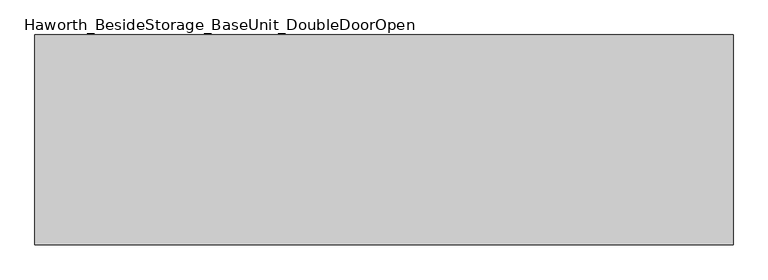
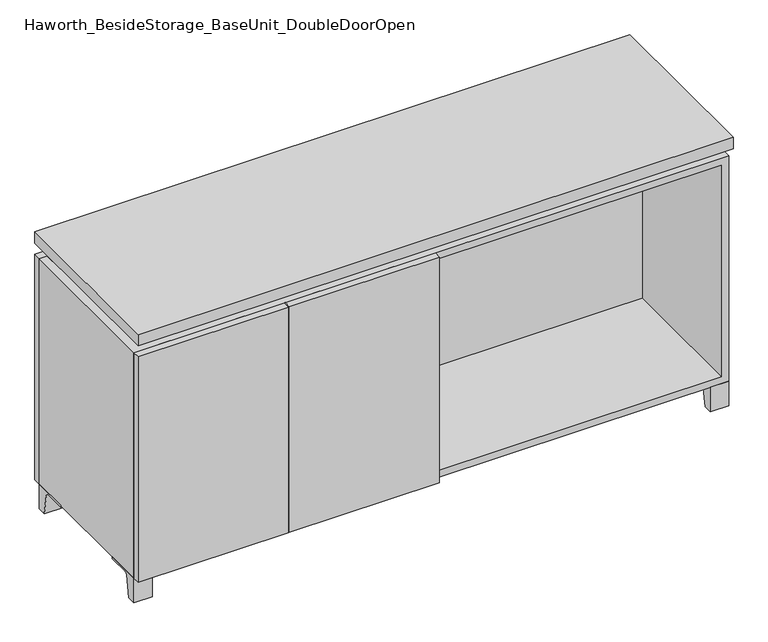
"""IFC4 building model written with IfcOpenShell, lengths in millimetres: furniture geometry, Haworth_BesideStorage_BaseUnit_DoubleDoorOpen."""

from ifc_helpers import new_model, si_unit, point, frame, frame_2d, origin, place, context, project, spatial, polyline, circle_curve, trimmed, segment, composite_curve, outline, extrude, faceted_brep, source, transform, mapped, element, save


def haworth_besidestorage_baseunit_doubledooropen_dae58a1f(model_context):
    return source(origin(), model_context, "Body", "SolidModel", [
        extrude(outline(composite_curve([segment(polyline([(44.9791531, 0.0), (22.225, 0.0), (22.225, 66.675), (117.475, 66.675), (117.475, 61.8963321), (60.6744655, 61.8963321)]), True, "CONTINUOUS"), segment(trimmed(circle_curve(frame_2d((60.6744655, 55.5463321)), 6.35), [point((60.6744655, 61.8963321))], [point((54.4108641, 56.5902656))], True, "CARTESIAN"), True, "CONTINUOUS"), segment(polyline([(54.4108641, 56.5902656), (44.9791531, 0.0)]), True, "CONTINUOUS")], self_intersect=False)), frame((-23.7986094, 0.0, 0.0), z_axis=(1.0, 0.0, 0.0), x_axis=(0.0, 1.0, 0.0)), (0.0, 0.0, 1.0), 47.625),
        extrude(outline(composite_curve([segment(polyline([(-123.2958469, 0.0), (-146.05, 0.0), (-146.05, 66.675), (-50.8, 66.675), (-50.8, 61.8963321), (-107.6005345, 61.8963321)]), True, "CONTINUOUS"), segment(trimmed(circle_curve(frame_2d((-107.6005345, 55.5463321)), 6.35), [point((-107.6005345, 61.8963321))], [point((-113.8641359, 56.5902656))], True, "CARTESIAN"), True, "CONTINUOUS"), segment(polyline([(-113.8641359, 56.5902656), (-123.2958469, 0.0)]), True, "CONTINUOUS")], self_intersect=False)), frame((712.8013906, 0.0, 0.0), z_axis=(1.0, 0.0, 0.0), x_axis=(0.0, 1.0, 0.0)), (0.0, 0.0, 1.0), 47.625),
        extrude(outline(composite_curve([segment(polyline([(250.2958469, 0.0), (240.8641359, 56.5902656)]), True, "CONTINUOUS"), segment(trimmed(circle_curve(frame_2d((234.6005345, 55.5463321)), 6.35), [point((240.8641359, 56.5902656))], [point((234.6005345, 61.8963321))], True, "CARTESIAN"), True, "CONTINUOUS"), segment(polyline([(234.6005345, 61.8963321), (177.8, 61.8963321), (177.8, 66.675), (273.05, 66.675), (273.05, 0.0), (250.2958469, 0.0)]), True, "CONTINUOUS")], self_intersect=False)), frame((712.8013906, 0.0, 0.0), z_axis=(1.0, 0.0, 0.0), x_axis=(0.0, 1.0, 0.0)), (0.0, 0.0, 1.0), 47.625),
        extrude(outline(composite_curve([segment(polyline([(-123.2958469, 0.0), (-146.05, 0.0), (-146.05, 66.675), (-50.8, 66.675), (-50.8, 61.8963321), (-107.6005345, 61.8963321)]), True, "CONTINUOUS"), segment(trimmed(circle_curve(frame_2d((-107.6005345, 55.5463321)), 6.35), [point((-107.6005345, 61.8963321))], [point((-113.8641359, 56.5902656))], True, "CARTESIAN"), True, "CONTINUOUS"), segment(polyline([(-113.8641359, 56.5902656), (-123.2958469, 0.0)]), True, "CONTINUOUS")], self_intersect=False)), frame((-760.3986094, 0.0, 0.0), z_axis=(1.0, 0.0, 0.0), x_axis=(0.0, 1.0, 0.0)), (0.0, 0.0, 1.0), 47.625),
        extrude(outline(composite_curve([segment(polyline([(250.2958469, 0.0), (240.8641359, 56.5902656)]), True, "CONTINUOUS"), segment(trimmed(circle_curve(frame_2d((234.6005345, 55.5463321)), 6.35), [point((240.8641359, 56.5902656))], [point((234.6005345, 61.8963321))], True, "CARTESIAN"), True, "CONTINUOUS"), segment(polyline([(234.6005345, 61.8963321), (177.8, 61.8963321), (177.8, 66.675), (273.05, 66.675), (273.05, 0.0), (250.2958469, 0.0)]), True, "CONTINUOUS")], self_intersect=False)), frame((-760.3986094, 0.0, 0.0), z_axis=(1.0, 0.0, 0.0), x_axis=(0.0, 1.0, 0.0)), (0.0, 0.0, 1.0), 47.625),
        faceted_brep([(-760.3986094, -146.05, 66.675), (760.4125, -146.05, 66.675), (760.4125, -146.05, 676.275), (-760.3986094, -146.05, 676.275), (-741.3486094, -146.05, 85.725), (-741.3486094, -146.05, 657.225), (741.3694453, -146.05, 657.225), (741.3486094, -146.05, 85.725), (-760.3986094, 273.05, 66.675), (-760.3986094, 273.05, 676.275), (-741.3486094, 273.05, 676.275), (-741.3486094, 273.05, 85.725), (741.3486094, 273.05, 85.725), (741.3486094, 273.05, 676.275), (760.4125, 273.05, 676.275), (760.4125, 273.05, 66.675), (741.3486094, 247.65, 676.275), (-741.3416641, 247.65, 676.275), (-741.3486094, 247.65, 657.225), (741.3486094, 247.65, 657.225)], [[[0, 1, 2, 3], [4, 5, 6, 7]], [[8, 9, 10, 11, 12, 13, 14, 15]], [[1, 0, 8, 15]], [[2, 1, 15, 14]], [[3, 2, 14, 13, 16, 17, 10, 9]], [[0, 3, 9, 8]], [[11, 10, 17, 18, 5, 4]], [[13, 12, 7, 6, 19, 16]], [[4, 7, 12, 11]], [[6, 5, 18, 19]], [[17, 16, 19, 18]]]),
        extrude(outline(polyline([(760.4263906, -165.1), (-760.3986094, -165.1), (-760.3986094, 292.1), (760.4263906, 292.1), (760.4263906, -165.1)])), frame((0.0, 0.0, 706.4375), z_axis=(0.0, 0.0, 1.0), x_axis=(1.0, 0.0, 0.0)), (0.0, 0.0, 1.0), 30.1625),
        faceted_brep([(7.9513906, -69.85, 706.4375), (7.9513906, -69.85, 676.275), (7.9513906, 53.975, 676.275), (7.9513906, 53.975, 706.4375), (7.9513906, 196.85, 676.275), (7.9513906, 196.85, 706.4375), (7.9513906, 73.025, 706.4375), (7.9513906, 73.025, 676.275), (-7.9236094, 196.85, 706.4375), (-7.9236094, 196.85, 676.275), (-7.9236094, 73.025, 676.275), (-7.9236094, 73.025, 706.4375), (-7.9236094, -69.85, 676.275), (-7.9236094, -69.85, 706.4375), (-7.9236094, 53.975, 706.4375), (-7.9236094, 53.975, 676.275), (-719.0958281, 73.025, 706.4375), (-719.1166641, 247.65, 706.4375), (-734.9916641, 247.65, 706.4375), (-734.9916641, -120.65, 706.4375), (-719.1166641, -120.65, 706.4375), (-719.1166641, 53.975, 706.4375), (719.1236094, 53.975, 706.4375), (719.1236094, -120.65, 706.4375), (734.9986094, -120.65, 706.4375), (734.9986094, 247.65, 706.4375), (719.1236094, 247.65, 706.4375), (719.1236094, 73.025, 706.4375), (-719.0958281, 53.975, 676.275), (-719.1166641, -120.65, 676.275), (-734.9916641, -120.65, 676.275), (-734.9916641, 247.65, 676.275), (-719.1166641, 247.65, 676.275), (-719.1166641, 73.025, 676.275), (719.1236094, 73.025, 676.275), (719.1236094, 247.65, 676.275), (734.9986094, 247.65, 676.275), (734.9986094, -120.65, 676.275), (719.1236094, -120.65, 676.275), (719.1236094, 53.975, 676.275)], [[[0, 1, 2, 3]], [[4, 5, 6, 7]], [[8, 9, 10, 11]], [[12, 13, 14, 15]], [[5, 8, 11, 16, 17, 18, 19, 20, 21, 14, 13, 0, 3, 22, 23, 24, 25, 26, 27, 6]], [[1, 12, 15, 28, 29, 30, 31, 32, 33, 10, 9, 4, 7, 34, 35, 36, 37, 38, 39, 2]], [[5, 4, 9, 8]], [[1, 0, 13, 12]], [[6, 27, 34, 7]], [[22, 3, 2, 39]], [[20, 29, 28, 21]], [[32, 17, 16, 33]], [[18, 31, 30, 19]], [[29, 20, 19, 30]], [[17, 32, 31, 18]], [[26, 35, 34, 27]], [[38, 23, 22, 39]], [[25, 24, 37, 36]], [[23, 38, 37, 24]], [[35, 26, 25, 36]], [[16, 11, 10, 33]], [[14, 21, 28, 15]]]),
        extrude(outline(polyline([(9.5388906, 203.2), (9.5388906, -146.05), (-9.5111094, -146.05), (-9.5111094, 203.2), (9.5388906, 203.2)])), frame((0.0, 0.0, 85.725), z_axis=(0.0, 0.0, 1.0), x_axis=(1.0, 0.0, 0.0)), (0.0, 0.0, 1.0), 571.5),
        extrude(outline(polyline([(760.4263906, 273.05), (-760.3986094, 273.05), (-760.3986094, 292.1), (760.4263906, 292.1), (760.4263906, 273.05)])), frame((0.0, 0.0, 66.675), z_axis=(0.0, 0.0, 1.0), x_axis=(1.0, 0.0, 0.0)), (0.0, 0.0, 1.0), 609.6),
        extrude(outline(polyline([(-741.3416641, 203.2), (-741.3416641, 209.55), (741.3694453, 209.55), (741.3694453, 203.2), (-741.3416641, 203.2)])), frame((0.0, 0.0, 85.725), z_axis=(0.0, 0.0, 1.0), x_axis=(1.0, 0.0, 0.0)), (0.0, 0.0, 1.0), 571.5),
        extrude(outline(polyline([(9.5388906, -165.1), (-373.8423594, -165.1), (-373.8423594, -146.05), (9.5388906, -146.05), (9.5388906, -165.1)])), frame((0.0, 0.0, 66.675), z_axis=(0.0, 0.0, 1.0), x_axis=(1.0, 0.0, 0.0)), (0.0, 0.0, 1.0), 609.6),
        extrude(outline(polyline([(-377.0173594, -165.1), (-760.3986094, -165.1), (-760.3986094, -146.05), (-377.0173594, -146.05), (-377.0173594, -165.1)])), frame((0.0, 0.0, 66.675), z_axis=(0.0, 0.0, 1.0), x_axis=(1.0, 0.0, 0.0)), (0.0, 0.0, 1.0), 609.6),
    ])


if __name__ == "__main__":
    model = new_model("IFC4")
    model_context = context("Model", 3, world=origin())
    ifc_project = project(units=[si_unit("LENGTHUNIT", "METRE", prefix="MILLI")], contexts=[model_context])
    site = spatial("IfcSite", under=ifc_project)
    building = spatial("IfcBuilding", under=site)
    placement = place(None, origin())
    haworth_besidestorage_baseunit_doubledooropen_shape = haworth_besidestorage_baseunit_doubledooropen_dae58a1f(model_context)
    element("IfcFurniture", 1, ObjectType="Haworth_BesideStorage_BaseUnit_DoubleDoorOpen", at=placement, inside=building, context=model_context, shape_type="MappedRepresentation", body=[
        mapped(haworth_besidestorage_baseunit_doubledooropen_shape, transform((0.0, 0.0, 0.0), x_axis=(1.0, 0.0, 0.0), y_axis=(0.0, 1.0, 0.0), z_axis=(0.0, 0.0, 1.0))),
    ])
    save(model, "model.ifc")
